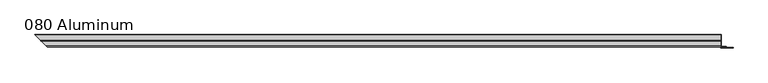
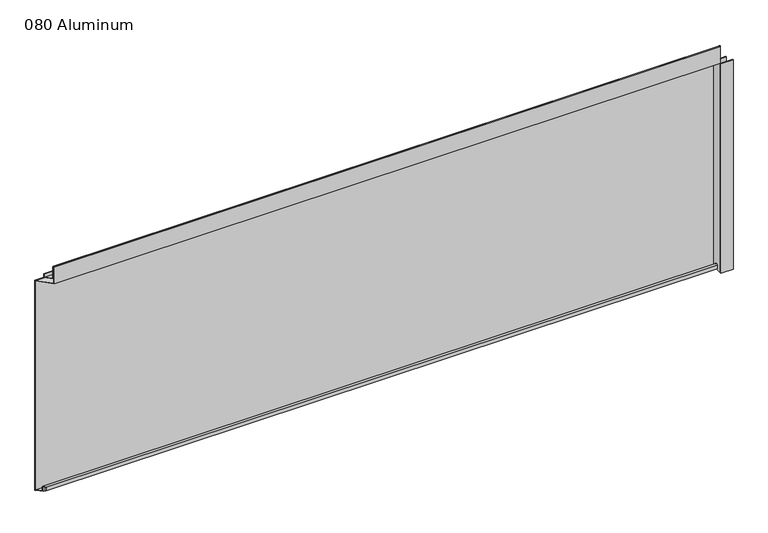
"""IFC4 building model written with IfcOpenShell, lengths in millimetres: plate geometry, 080 Aluminum."""

from ifc_helpers import new_model, si_unit, frame, origin, origin_with_axes, place, context, project, spatial, polyline, circle_curve, ellipse_curve, outline, extrude, source, transform, mapped, element, save
from ifc_brep_helpers import plane_surface, cylinder_surface, revolved_surface, advanced_brep


def plate_080_aluminum_98be6e91(model_context):
    return source(origin(), model_context, "Body", "SolidModel", [
        advanced_brep(
        [(907.0848, 16.6765477, 13.1458337), (907.0848, 16.6765477, 2.786437), (907.0848, 17.9464915, 2.786437), (907.0848, 17.9464915, 13.1323356), (907.0848, 21.7564743, 13.124237), (907.0848, 21.7564743, 0.0), (907.0848, 34.7980002, 0.0), (907.0848, 34.7980002, 1.2693678), (907.0848, 23.0264743, 1.2693678), (907.0848, 23.0264743, 13.124237), (-937.7313477, 16.6765477, 13.1458337), (-937.7313477, 16.6765477, 2.786437), (-939.0012915, 17.9464915, 2.786437), (-939.0012915, 17.9464915, 13.1323356), (-942.8112743, 21.7564743, 13.124237), (-942.8112743, 21.7564743, 0.0), (-955.8528, 34.798, 0.0), (-955.8528002, 34.7980002, 1.2693678), (-944.0812743, 23.0264743, 1.2693678), (-944.0812743, 23.0264743, 13.124237)],
        [
            (0, 1),
            (1, 2),
            (2, 3),
            (3, 4, circle_curve(frame((907.0848, 19.8514743, 13.124237), z_axis=(-1.0, 0.0, 0.0), x_axis=(0.0, 0.0, -1.0)), 1.905)),
            (4, 5),
            (5, 6),
            (6, 7),
            (7, 8),
            (8, 9),
            (9, 0, circle_curve(frame((907.0848, 19.8514743, 13.124237), z_axis=(1.0, 0.0, 0.0), x_axis=(0.0, 0.0, -1.0)), 3.175)),
            (0, 10),
            (10, 11),
            (11, 1),
            (11, 12),
            (12, 2),
            (12, 13),
            (13, 3),
            (13, 14, ellipse_curve(frame((-940.9062743, 19.8514743, 13.124237), z_axis=(-0.7071067811865467, -0.7071067811865485, 0.0), x_axis=(0.7071067811865482, -0.7071067811865468, 0.0)), 2.6940768, 1.905)),
            (14, 4),
            (14, 15),
            (15, 5),
            (15, 16),
            (16, 6),
            (16, 17),
            (17, 7),
            (17, 18),
            (18, 8),
            (18, 19),
            (19, 9),
            (19, 10, ellipse_curve(frame((-940.9062743, 19.8514743, 13.124237), z_axis=(0.7071067811865467, 0.7071067811865485, 0.0), x_axis=(-0.7071067811865482, 0.7071067811865468, 0.0)), 4.4901281, 3.175)),
        ],
        [
            plane_surface(frame((907.0848, 36.068, 0.0), z_axis=(1.0, 0.0, 0.0), x_axis=(0.0, 0.0, 1.0))),
            plane_surface(frame((-955.8528, 16.6765477, 13.1458337), z_axis=(0.0, -1.0, 0.0), x_axis=(1.0, 0.0, 0.0))),
            plane_surface(frame((-955.8528, 16.6765477, 2.786437), z_axis=(0.0, 0.0, -1.0), x_axis=(1.0, 0.0, 0.0))),
            plane_surface(frame((-955.8528, 17.9464915, 2.786437), z_axis=(0.0, 1.0, 0.0), x_axis=(1.0, 0.0, 0.0))),
            revolved_surface(polyline([(907.0848, 19.8514743, 11.219237000000001), (-942.8112743, 19.8514743, 11.219237000000001)]), (-955.8528, 19.8514743, 13.124237), (1.0, 0.0, 0.0)),
            plane_surface(frame((-955.8528, 21.7564743, 13.124237), z_axis=(0.0, -1.0, 0.0), x_axis=(1.0, 0.0, 0.0))),
            plane_surface(frame((-955.8528, 21.7564743, 0.0), z_axis=(0.0, 0.0, -1.0), x_axis=(1.0, 0.0, 0.0))),
            plane_surface(frame((-955.8528, 34.7980002, 0.0), z_axis=(0.0, 1.0, 0.0), x_axis=(1.0, 0.0, 0.0))),
            plane_surface(frame((-955.8528, 34.7980002, 1.2693678), z_axis=(0.0, 0.0, 1.0), x_axis=(1.0, 0.0, 0.0))),
            plane_surface(frame((-955.8528, 23.0264743, 1.2693678), z_axis=(0.0, 1.0, 0.0), x_axis=(1.0, 0.0, 0.0))),
            cylinder_surface(frame((-955.8528, 19.8514743, 13.124237), z_axis=(-1.0, 0.0, 0.0), x_axis=(0.0, 0.0, -1.0)), 3.175),
            plane_surface(frame((-957.1228, 36.068, 795.4549971), z_axis=(-0.7071067811865467, -0.7071067811865485, 0.0), x_axis=(0.0, 0.0, -1.0))),
        ],
        [
            (0, [[1, 2, 3, 4, 5, 6, 7, 8, 9, 10]]),
            (1, [[11, 12, 13, -1]]),
            (2, [[-13, 14, 15, -2]]),
            (3, [[-15, 16, 17, -3]]),
            (4, [[-17, 18, 19, -4]]),
            (5, [[-19, 20, 21, -5]]),
            (6, [[-21, 22, 23, -6]]),
            (7, [[-23, 24, 25, -7]]),
            (8, [[-25, 26, 27, -8]]),
            (9, [[-27, 28, 29, -9]]),
            (10, [[-29, 30, -11, -10]]),
            (11, [[-30, -28, -26, -24, -22, -20, -18, -16, -14, -12]]),
        ],
    ),
        advanced_brep(
        [(907.0848, 2.0574743, 656.7932001), (907.0848, 2.0574743, 608.33), (907.0848, 34.7980002, 608.33), (907.0848, 34.7980002, 609.6000001), (907.0848, 3.3274743, 609.6000001), (907.0848, 3.3274743, 656.7932001), (907.0848, 4.0894742, 656.7932001), (907.0848, 4.0894742, 622.3), (907.0848, 20.4864742, 622.3), (907.0848, 20.4864742, 633.6538), (907.0848, 19.2164743, 633.6538), (907.0848, 19.2164743, 623.57), (907.0848, 5.3594742, 623.57), (907.0848, 5.3594742, 656.7932001), (-923.1122743, 2.0574743, 656.7932001), (-923.1122743, 2.0574743, 608.33), (-955.8528, 34.798, 608.33), (-955.8528002, 34.7980002, 609.6000001), (-924.3822743, 3.3274743, 609.6000001), (-924.3822743, 3.3274743, 656.7932001), (-925.1442742, 4.0894742, 656.7932001), (-925.1442742, 4.0894742, 622.3), (-941.5412742, 20.4864742, 622.3), (-941.5412742, 20.4864742, 633.6538), (-940.2712743, 19.2164743, 633.6538), (-940.2712743, 19.2164743, 623.57), (-926.4142742, 5.3594742, 623.57), (-926.4142742, 5.3594742, 656.7932001)],
        [
            (0, 1),
            (1, 2),
            (2, 3),
            (3, 4),
            (4, 5),
            (5, 6, circle_curve(frame((907.0848, 3.7084742, 656.7932001), z_axis=(-1.0, 0.0, 0.0), x_axis=(0.0, 0.0, -1.0)), 0.3809999)),
            (6, 7),
            (7, 8),
            (8, 9),
            (9, 10),
            (10, 11),
            (11, 12),
            (12, 13),
            (13, 0, circle_curve(frame((907.0848, 3.7084742, 656.7932001), z_axis=(1.0, 0.0, 0.0), x_axis=(0.0, 0.0, -1.0)), 1.6509999)),
            (0, 14),
            (14, 15),
            (15, 1),
            (15, 16),
            (16, 2),
            (16, 17),
            (17, 3),
            (17, 18),
            (18, 4),
            (18, 19),
            (19, 5),
            (19, 20, ellipse_curve(frame((-924.7632742, 3.7084742, 656.7932001), z_axis=(-0.7071067811865467, -0.7071067811865485, 0.0), x_axis=(0.7071067811865482, -0.7071067811865468, 0.0)), 0.5388153, 0.3809999)),
            (20, 6),
            (20, 21),
            (21, 7),
            (21, 22),
            (22, 8),
            (22, 23),
            (23, 9),
            (23, 24),
            (24, 10),
            (24, 25),
            (25, 11),
            (25, 26),
            (26, 12),
            (26, 27),
            (27, 13),
            (27, 14, ellipse_curve(frame((-924.7632742, 3.7084742, 656.7932001), z_axis=(0.7071067811865467, 0.7071067811865485, 0.0), x_axis=(-0.7071067811865482, 0.7071067811865468, 0.0)), 2.3348665, 1.6509999)),
        ],
        [
            plane_surface(frame((907.0848, 36.068, 609.6), z_axis=(1.0, 0.0, 0.0), x_axis=(0.0, 0.0, 1.0))),
            plane_surface(frame((-955.8528, 2.0574743, 656.7932001), z_axis=(0.0, -1.0, 0.0), x_axis=(1.0, 0.0, 0.0))),
            plane_surface(frame((-955.8528, 2.0574743, 608.33), z_axis=(0.0, 0.0, -1.0), x_axis=(1.0, 0.0, 0.0))),
            plane_surface(frame((-955.8528, 34.7980002, 608.33), z_axis=(0.0, 1.0, 0.0), x_axis=(1.0, 0.0, 0.0))),
            plane_surface(frame((-955.8528, 34.7980002, 609.6000001), z_axis=(0.0, 0.0, 1.0), x_axis=(1.0, 0.0, 0.0))),
            plane_surface(frame((-955.8528, 3.3274743, 609.6000001), z_axis=(0.0, 1.0, 0.0), x_axis=(1.0, 0.0, 0.0))),
            revolved_surface(polyline([(907.0848, 3.7084742, 656.4122002), (-925.1442742, 3.7084742, 656.4122002)]), (-955.8528, 3.7084742, 656.7932001), (1.0, 0.0, 0.0)),
            plane_surface(frame((-955.8528, 4.0894742, 656.7932001), z_axis=(0.0, -1.0, 0.0), x_axis=(1.0, 0.0, 0.0))),
            plane_surface(frame((-955.8528, 4.0894742, 622.3), z_axis=(0.0, 0.0, -1.0), x_axis=(1.0, 0.0, 0.0))),
            plane_surface(frame((-955.8528, 20.4864742, 622.3), z_axis=(0.0, 1.0, 0.0), x_axis=(1.0, 0.0, 0.0))),
            plane_surface(frame((-955.8528, 20.4864742, 633.6538), z_axis=(0.0, 0.0, 1.0), x_axis=(1.0, 0.0, 0.0))),
            plane_surface(frame((-955.8528, 19.2164743, 633.6538), z_axis=(0.0, -1.0, 0.0), x_axis=(1.0, 0.0, 0.0))),
            plane_surface(frame((-955.8528, 19.2164743, 623.57), z_axis=(0.0, 0.0, 1.0), x_axis=(1.0, 0.0, 0.0))),
            plane_surface(frame((-955.8528, 5.3594742, 623.57), z_axis=(0.0, 1.0, 0.0), x_axis=(1.0, 0.0, 0.0))),
            cylinder_surface(frame((-955.8528, 3.7084742, 656.7932001), z_axis=(-1.0, 0.0, 0.0), x_axis=(0.0, 0.0, -1.0)), 1.6509999),
            plane_surface(frame((-957.1228, 36.068, 795.4549971), z_axis=(-0.7071067811865467, -0.7071067811865485, 0.0), x_axis=(0.0, 0.0, -1.0))),
        ],
        [
            (0, [[1, 2, 3, 4, 5, 6, 7, 8, 9, 10, 11, 12, 13, 14]]),
            (1, [[15, 16, 17, -1]]),
            (2, [[-17, 18, 19, -2]]),
            (3, [[-19, 20, 21, -3]]),
            (4, [[-21, 22, 23, -4]]),
            (5, [[-23, 24, 25, -5]]),
            (6, [[-25, 26, 27, -6]]),
            (7, [[-27, 28, 29, -7]]),
            (8, [[-29, 30, 31, -8]]),
            (9, [[-31, 32, 33, -9]]),
            (10, [[-33, 34, 35, -10]]),
            (11, [[-35, 36, 37, -11]]),
            (12, [[-37, 38, 39, -12]]),
            (13, [[-39, 40, 41, -13]]),
            (14, [[-41, 42, -15, -14]]),
            (15, [[-42, -40, -38, -36, -34, -32, -30, -28, -26, -24, -22, -20, -18, -16]]),
        ],
    ),
        extrude(outline(polyline([(908.3548, 34.7980001), (-955.8528001, 34.7980001), (-957.1228, 36.068), (908.3548, 36.068), (908.3548, 34.7980001)])), origin_with_axes(), (0.0, 0.0, 1.0), 609.6),
        extrude(outline(polyline([(908.3548, 1.2699999), (940.8668856, 1.2699999), (940.8668856, 0.0), (907.0848001, 0.0), (907.0848001, 34.7980002), (908.3548, 34.7980002), (908.3548, 1.2699999)])), origin_with_axes(), (0.0, 0.0, 1.0), 608.33),
        extrude(outline(polyline([(907.0848, 3.3274743), (922.8327999, 3.3274743), (922.8327999, 2.0574743), (907.0848, 2.0574743), (907.0848, 3.3274743)])), origin_with_axes(), (0.0, 0.0, 1.0), 622.3),
    ])


if __name__ == "__main__":
    model = new_model("IFC4")
    model_context = context("Model", 3, world=origin())
    ifc_project = project(units=[si_unit("LENGTHUNIT", "METRE", prefix="MILLI")], contexts=[model_context])
    site = spatial("IfcSite", under=ifc_project)
    building = spatial("IfcBuilding", under=site)
    placement = place(None, origin())
    plate_080_aluminum_shape = plate_080_aluminum_98be6e91(model_context)
    element("IfcPlate", 1, ObjectType="080 Aluminum", at=placement, inside=building, context=model_context, shape_type="MappedRepresentation", body=[
        mapped(plate_080_aluminum_shape, transform((0.0, 0.0, 0.0), x_axis=(1.0, 0.0, 0.0), y_axis=(0.0, 1.0, 0.0), z_axis=(0.0, 0.0, 1.0))),
    ])
    save(model, "model.ifc")
